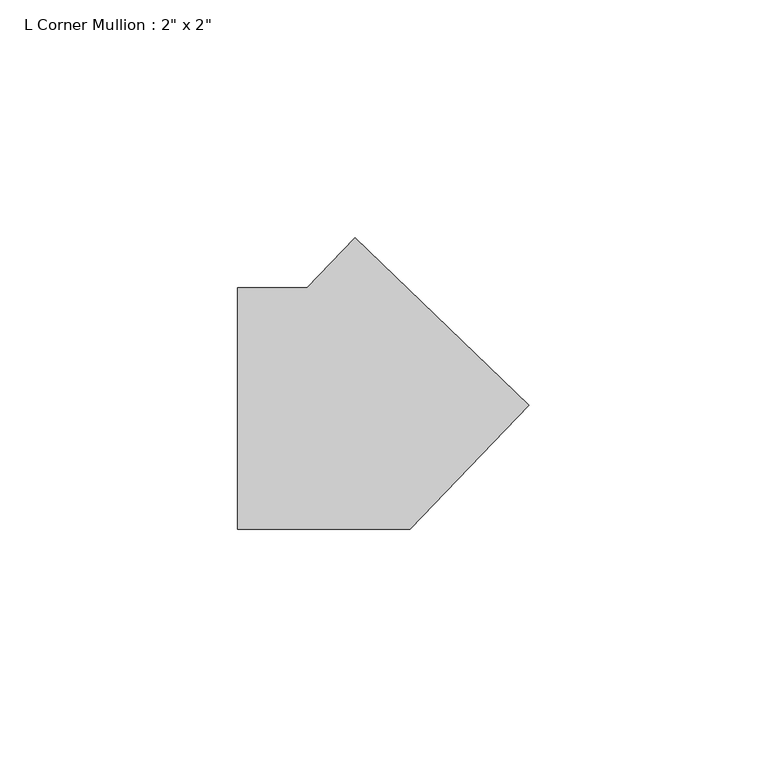
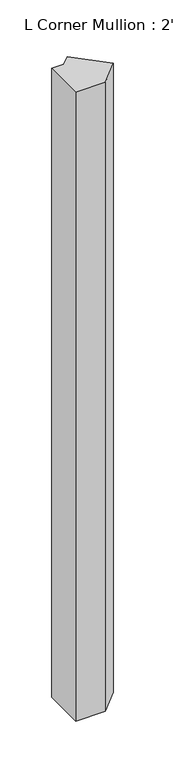
"""IFC4 building model written with IfcOpenShell, lengths in millimetres: member geometry."""

import ifcopenshell
import ifcopenshell.guid

model = None  # the IFC model being written
_history = None  # IfcOwnerHistory: only IFC2X3 demands one
_inside = {}  # id of a spatial element -> (the spatial element, [elements in it])
_under = {}  # id of a project, library or spatial element -> (it, [spatial elements below it])
_declared = {}  # id of a project -> (the project, [libraries it declares])
_typed = {}  # id of a type object -> (the type object, [elements of that type])
_made_of = {}  # id of a material, layer set ... -> (it, [elements and type objects made of it])


def new_model(schema):
    """Start an empty IFC model of exactly this schema.

    Asked for "IFC4X3", IfcOpenShell would pick the latest addendum, in which some entities
    have other attributes; the version numbers below select the first issue.
    IFC2X3 requires an IfcOwnerHistory on every rooted entity: one is made here for all.
    """
    global model, _history
    if schema == "IFC4X3":
        model = ifcopenshell.file(schema_version=(4, 3, 0, 0))
    else:
        model = ifcopenshell.file(schema=schema)
    _inside.clear()
    _under.clear()
    _declared.clear()
    _typed.clear()
    _made_of.clear()
    _history = None
    if model.schema == "IFC2X3":
        org = make("IfcOrganization", Name="unknown")
        user = make(
            "IfcPersonAndOrganization",
            ThePerson=make("IfcPerson", FamilyName="unknown"),
            TheOrganization=org,
        )
        app = make(
            "IfcApplication",
            ApplicationDeveloper=org,
            Version="unknown",
            ApplicationFullName="unknown",
            ApplicationIdentifier="unknown",
        )
        _history = make(
            "IfcOwnerHistory",
            OwningUser=user,
            OwningApplication=app,
            ChangeAction="ADDED",
            CreationDate=0,
        )
    return model


def make(cls, **values):
    """One entity of the class cls with the attributes given. An attribute that is None is left unset."""
    return model.create_entity(
        cls, **{name: value for name, value in values.items() if value is not None}
    )


def rooted(cls, **values):
    """An entity with a GlobalId (a new one), such as an element, a storey or a relation."""
    return make(cls, GlobalId=ifcopenshell.guid.new(), OwnerHistory=_history, **values)


def si_unit(unit_type, name, prefix=None):
    """IfcSIUnit, for example si_unit("LENGTHUNIT", "METRE", prefix="MILLI")."""
    return make("IfcSIUnit", UnitType=unit_type, Prefix=prefix, Name=name)


def assignment(units):
    """IfcUnitAssignment: the units of a project."""
    return None if units is None else make("IfcUnitAssignment", Units=units)


def point(xyz):
    """IfcCartesianPoint."""
    return None if xyz is None else make("IfcCartesianPoint", Coordinates=xyz)


def direction(xyz):
    """IfcDirection."""
    return None if xyz is None else make("IfcDirection", DirectionRatios=xyz)


def frame(location, z_axis=None, x_axis=None):
    """IfcAxis2Placement3D, a coordinate frame: its origin and axes. An axis left out is left unset."""
    return make(
        "IfcAxis2Placement3D",
        Location=point(location),
        Axis=direction(z_axis),
        RefDirection=direction(x_axis),
    )


def origin():
    """The frame at (0, 0, 0) with its axes left unset."""
    return frame((0.0, 0.0, 0.0))


def place(relative_to, where):
    """IfcLocalPlacement: puts the frame where relative to a parent placement (None: the world)."""
    return make(
        "IfcLocalPlacement", PlacementRelTo=relative_to, RelativePlacement=where
    )


def context(
    kind, dimensions, precision=None, world=None, true_north=None, identifier=None
):
    """IfcGeometricRepresentationContext, for example the 3D "Model" context."""
    return make(
        "IfcGeometricRepresentationContext",
        ContextIdentifier=identifier,
        ContextType=kind,
        CoordinateSpaceDimension=dimensions,
        Precision=precision,
        WorldCoordinateSystem=world,
        TrueNorth=true_north,
    )


def project(units=None, contexts=None):
    """IfcProject with its units and contexts."""
    return rooted(
        "IfcProject",
        Name="project",
        RepresentationContexts=contexts,
        UnitsInContext=assignment(units),
    )


def spatial(cls, under=None, at=None, **own):
    """A site, building, storey or space (cls), placed at a placement, below another one or the project."""
    s = rooted(cls, ObjectPlacement=at, **own)
    if under is not None:
        _under.setdefault(under.id(), (under, []))[1].append(s)
    return s


def polyline(points):
    """IfcPolyline through the points."""
    return make("IfcPolyline", Points=[point(p) for p in points])


def outline(outer, holes=None, kind="AREA"):
    """IfcArbitraryClosedProfileDef: a profile drawn as a closed curve; with holes, ...WithVoids."""
    if holes is None:
        return make("IfcArbitraryClosedProfileDef", ProfileType=kind, OuterCurve=outer)
    return make(
        "IfcArbitraryProfileDefWithVoids",
        ProfileType=kind,
        OuterCurve=outer,
        InnerCurves=holes,
    )


def extrude(swept, where, along, depth):
    """IfcExtrudedAreaSolid: the profile swept, set in the frame where, extruded along a direction by depth."""
    return make(
        "IfcExtrudedAreaSolid",
        SweptArea=swept,
        Position=where,
        ExtrudedDirection=direction(along),
        Depth=depth,
    )


def shape(context_of_items, identifier, shape_type, items):
    """IfcShapeRepresentation: the items that make up one representation, for example the "Body"."""
    return make(
        "IfcShapeRepresentation",
        ContextOfItems=context_of_items,
        RepresentationIdentifier=identifier,
        RepresentationType=shape_type,
        Items=items,
    )


def source(mapping_origin, context_of_items, identifier, shape_type, items):
    """IfcRepresentationMap: a shape defined once, which mapped items show again and again."""
    return make(
        "IfcRepresentationMap",
        MappingOrigin=mapping_origin,
        MappedRepresentation=shape(context_of_items, identifier, shape_type, items),
    )


def transform(
    local_origin,
    x_axis=None,
    y_axis=None,
    z_axis=None,
    scale=None,
    scale2=None,
    scale3=None,
    uniform=True,
):
    """IfcCartesianTransformationOperator3D, or its non-uniform kind. x_axis, y_axis, z_axis: its Axis1, 2, 3."""
    if uniform:
        return make(
            "IfcCartesianTransformationOperator3D",
            Axis1=direction(x_axis),
            Axis2=direction(y_axis),
            LocalOrigin=point(local_origin),
            Scale=scale,
            Axis3=direction(z_axis),
        )
    return make(
        "IfcCartesianTransformationOperator3DnonUniform",
        Axis1=direction(x_axis),
        Axis2=direction(y_axis),
        LocalOrigin=point(local_origin),
        Scale=scale,
        Axis3=direction(z_axis),
        Scale2=scale2,
        Scale3=scale3,
    )


def mapped(mapping_source, mapping_target):
    """IfcMappedItem: shows the shape of a source again, moved by a transform."""
    return make(
        "IfcMappedItem", MappingSource=mapping_source, MappingTarget=mapping_target
    )


def made_of(thing, what):
    """Note that an element or type object is made of a material, layer set ...; save() writes the relation."""
    if what is not None:
        _made_of.setdefault(what.id(), (what, []))[1].append(thing)
    return thing


def element(
    cls,
    number,
    at=None,
    inside=None,
    cuts=None,
    type_object=None,
    material=None,
    context=None,
    identifier="Body",
    shape_type=None,
    held_by="IfcProductDefinitionShape",
    body=None,
    shapes=None,
    **own,
):
    """One element of the class cls, such as IfcWall. Its Tag is "e" and its number.

    at: its placement. inside: the storey or other place that contains it. cuts: it is an
    opening in that element (IfcRelVoidsElement). A single representation is given by context,
    identifier, shape_type and body (its items); several are given by shapes. held_by: the class
    of the entity that holds the representations. save() writes the other relations.
    """
    e = rooted(cls, Tag="e%d" % number, ObjectPlacement=at, **own)
    if body is not None:
        shapes = [shape(context, identifier, shape_type, body)]
    if shapes is not None:
        e.Representation = make(held_by, Representations=shapes)
    if inside is not None:
        _inside.setdefault(inside.id(), (inside, []))[1].append(e)
    if cuts is not None:
        rooted(
            "IfcRelVoidsElement", RelatingBuildingElement=cuts, RelatedOpeningElement=e
        )
    if type_object is not None:
        _typed.setdefault(type_object.id(), (type_object, []))[1].append(e)
    return made_of(e, material)


def aggregate(whole, parts):
    """IfcRelAggregates: a whole, such as a stair, and the parts it consists of."""
    return rooted("IfcRelAggregates", RelatingObject=whole, RelatedObjects=parts)


def save(model, path):
    """Write the relations noted so far, then the file.

    IfcRelAggregates (storeys below a building ...), IfcRelContainedInSpatialStructure (elements
    in a storey), IfcRelDefinesByType, IfcRelAssociatesMaterial and IfcRelDeclares: one each for
    every whole, place, type object, material and project.
    """
    for whole, parts in _under.values():
        aggregate(whole, parts)
    for where, things in _inside.values():
        rooted(
            "IfcRelContainedInSpatialStructure",
            RelatedElements=things,
            RelatingStructure=where,
        )
    for kind, things in _typed.values():
        rooted("IfcRelDefinesByType", RelatedObjects=things, RelatingType=kind)
    for what, things in _made_of.values():
        rooted("IfcRelAssociatesMaterial", RelatedObjects=things, RelatingMaterial=what)
    for by, libraries in _declared.values():
        rooted("IfcRelDeclares", RelatingContext=by, RelatedDefinitions=libraries)
    model.write(path)


def member_bd1c9219(model_context):
    return source(origin(), model_context, "Body", "SweptSolid", [
        extrude(outline(polyline([(35.913317, 0.7440862), (10.8305964, -25.4), (-25.4, -25.4), (-25.4, 25.4), (-10.8305964, 25.4), (-0.7440862, 35.913317), (35.913317, 0.7440862)])), frame((0.0, 0.0, -816.9307035), z_axis=(0.0, 0.0, 1.0), x_axis=(1.0, 0.0, 0.0)), (0.0, 0.0, 1.0), 816.9307035),
    ])


if __name__ == "__main__":
    model = new_model("IFC4")
    model_context = context("Model", 3, world=origin())
    ifc_project = project(units=[si_unit("LENGTHUNIT", "METRE", prefix="MILLI")], contexts=[model_context])
    site = spatial("IfcSite", under=ifc_project)
    building = spatial("IfcBuilding", under=site)
    placement = place(None, origin())
    member_shape = member_bd1c9219(model_context)
    element("IfcMember", 1, ObjectType="L Corner Mullion : 2\" x 2\"", at=placement, inside=building, context=model_context, shape_type="MappedRepresentation", body=[
        mapped(member_shape, transform((0.0, 0.0, 0.0), x_axis=(1.0, 0.0, 0.0), y_axis=(0.0, 1.0, 0.0), z_axis=(0.0, 0.0, 1.0))),
    ])
    save(model, "model.ifc")
